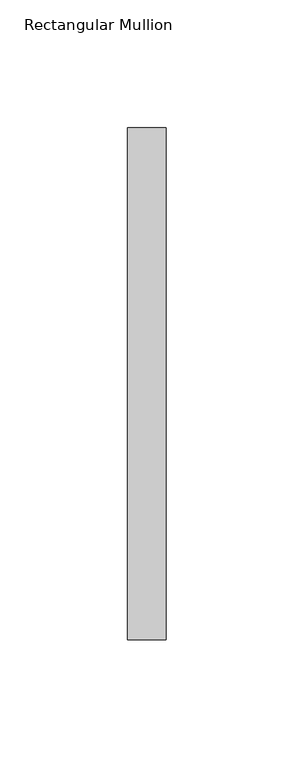
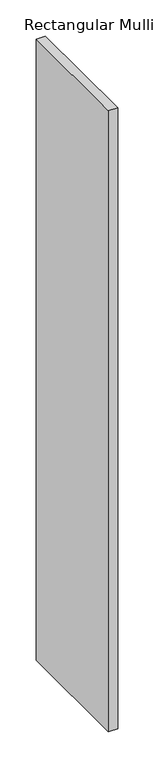
"""IFC4 building model written with IfcOpenShell, lengths in millimetres: member geometry, Rectangular Mullion."""

from ifc_helpers import new_model, si_unit, frame, origin, place, context, project, spatial, polyline, outline, extrude, source, transform, mapped, element, save


def rectangular_mullion_0056960e(model_context):
    return source(origin(), model_context, "Body", "SweptSolid", [
        extrude(outline(polyline([(-15.0, -53.0), (0.0, -53.0), (0.0, -253.0), (-15.0, -253.0), (-15.0, -53.0)])), frame((0.0, 0.0, -1050.0008249), z_axis=(0.0, 0.0, 1.0), x_axis=(1.0, 0.0, 0.0)), (0.0, 0.0, 1.0), 1050.0008249),
    ])


if __name__ == "__main__":
    model = new_model("IFC4")
    model_context = context("Model", 3, world=origin())
    ifc_project = project(units=[si_unit("LENGTHUNIT", "METRE", prefix="MILLI")], contexts=[model_context])
    site = spatial("IfcSite", under=ifc_project)
    building = spatial("IfcBuilding", under=site)
    placement = place(None, origin())
    rectangular_mullion_shape = rectangular_mullion_0056960e(model_context)
    element("IfcMember", 1, ObjectType="Rectangular Mullion", at=placement, inside=building, context=model_context, shape_type="MappedRepresentation", body=[
        mapped(rectangular_mullion_shape, transform((0.0, 0.0, 0.0), x_axis=(1.0, 0.0, 0.0), y_axis=(0.0, 1.0, 0.0), z_axis=(0.0, 0.0, 1.0))),
    ])
    save(model, "model.ifc")
